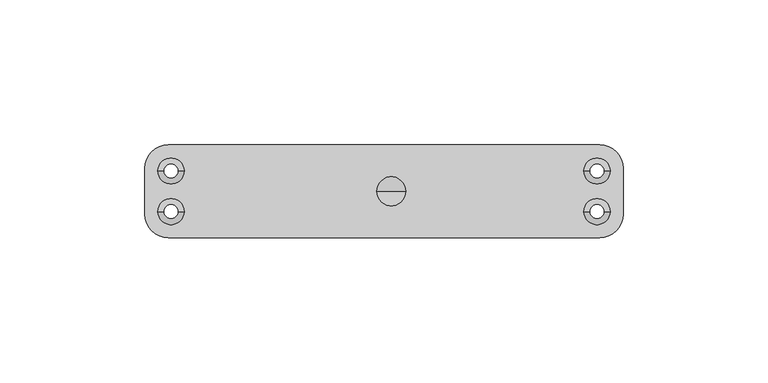
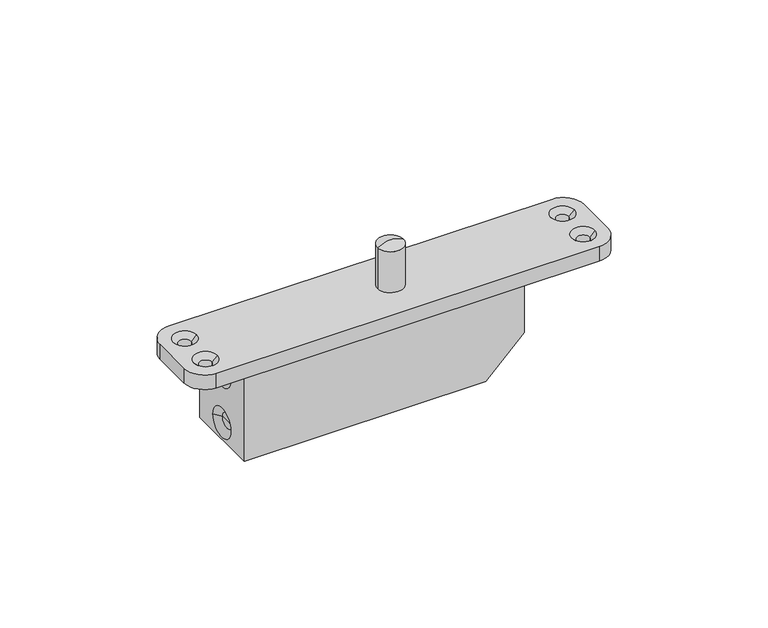
"""IFC4 building model written with IfcOpenShell, lengths in millimetres: proxy geometry."""

from ifc_helpers import new_model, si_unit, point, frame, origin, place, context, project, spatial, polyline, circle_curve, ellipse_curve, trimmed, source, transform, mapped, element, save
from ifc_brep_helpers import plane_surface, cylinder_surface, revolved_surface, advanced_brep


def generic_models_c703cf1c(model_context):
    return source(origin(), model_context, "Body", "AdvancedBrep", [
        advanced_brep(
        [(-65.6, -15.0, -41.0), (28.4, -15.0, -41.0), (43.4, -15.0, -26.0), (43.4, -15.0, -6.0), (-65.6, -15.0, -6.0), (-65.6, 15.0, -41.0), (-65.6, 15.0, -6.0), (43.4, 15.0, -6.0), (43.4, 15.0, -26.0), (28.4, 15.0, -41.0), (-65.6, -6.0, -34.0), (-65.6, 6.0, -34.0), (-65.6, -6.0, -13.0320818), (-65.6, 6.0, -13.0320818), (-63.6, -3.0, -34.0), (-63.6, 0.0, -34.0), (-63.6, 3.0, -34.0), (-63.6, -3.0, -13.0320818), (-63.6, 0.0, -13.0320818), (-63.6, 3.0, -13.0320818)],
        [
            (0, 1),
            (1, 2),
            (2, 3),
            (3, 4),
            (4, 0),
            (5, 6),
            (6, 7),
            (7, 8),
            (8, 9),
            (9, 5),
            (0, 5),
            (9, 1),
            (8, 2),
            (7, 3),
            (6, 4),
            (10, 11, circle_curve(frame((-65.6, 0.0, -34.0), z_axis=(1.0, 0.0, 0.0), x_axis=(0.0, 1.0, 0.0)), 6.0)),
            (11, 10, circle_curve(frame((-65.6, 0.0, -34.0), z_axis=(1.0, 0.0, 0.0), x_axis=(0.0, 1.0, 0.0)), 6.0)),
            (12, 13, circle_curve(frame((-65.6, 0.0, -13.0320818), z_axis=(1.0, 0.0, 0.0), x_axis=(0.0, 1.0, 0.0)), 6.0)),
            (13, 12, circle_curve(frame((-65.6, 0.0, -13.0320818), z_axis=(1.0, 0.0, 0.0), x_axis=(0.0, 1.0, 0.0)), 6.0)),
            (14, 15),
            (15, 16),
            (16, 14, circle_curve(frame((-63.6, 0.0, -34.0), z_axis=(-1.0, 0.0, 0.0), x_axis=(0.0, 1.0, 0.0)), 3.0)),
            (14, 16, circle_curve(frame((-63.6, 0.0, -34.0), z_axis=(-1.0, 0.0, 0.0), x_axis=(0.0, 1.0, 0.0)), 3.0)),
            (16, 11),
            (10, 14),
            (17, 18),
            (18, 19),
            (19, 17, circle_curve(frame((-63.6, 0.0, -13.0320818), z_axis=(-1.0, 0.0, 0.0), x_axis=(0.0, 1.0, 0.0)), 3.0)),
            (17, 19, circle_curve(frame((-63.6, 0.0, -13.0320818), z_axis=(-1.0, 0.0, 0.0), x_axis=(0.0, 1.0, 0.0)), 3.0)),
            (19, 13),
            (12, 17),
        ],
        [
            plane_surface(frame((-65.6, -15.0, -41.0), z_axis=(0.0, -1.0, 0.0), x_axis=(1.0, 0.0, 0.0))),
            plane_surface(frame((-65.6, 15.0, -41.0), z_axis=(0.0, 1.0, 0.0), x_axis=(-1.0, 0.0, 0.0))),
            plane_surface(frame((-65.6, -15.0, -41.0), z_axis=(0.0, 0.0, -1.0), x_axis=(0.0, 1.0, 0.0))),
            plane_surface(frame((28.4, -15.0, -41.0), z_axis=(0.7071067811865471, 0.0, -0.7071067811865479), x_axis=(0.0, 1.0, 0.0))),
            plane_surface(frame((43.4, -15.0, -26.0), z_axis=(1.0, 0.0, 0.0), x_axis=(0.0, 1.0, 0.0))),
            plane_surface(frame((43.4, -15.0, -6.0), z_axis=(0.0, 0.0, 1.0), x_axis=(0.0, 1.0, 0.0))),
            plane_surface(frame((-65.6, -15.0, -6.0), z_axis=(-1.0, 0.0, 0.0), x_axis=(0.0, 1.0, 0.0))),
            plane_surface(frame((-63.6, 0.0, -34.0), z_axis=(-1.0, 0.0, 0.0), x_axis=(0.0, 1.0, 0.0))),
            revolved_surface(polyline([(-65.6, 6.0, -34.0), (-63.6, 3.0, -34.0)]), (-80.0717314, 0.0, -34.0), (-1.0, 0.0, 0.0)),
            plane_surface(frame((-63.6, 0.0, -13.0320818), z_axis=(-1.0, 0.0, 0.0), x_axis=(0.0, 1.0, 0.0))),
            revolved_surface(polyline([(-65.6, 6.0, -13.0320818), (-63.6, 3.0, -13.0320818)]), (-80.0717314, 0.0, -13.0320818), (-1.0, 0.0, 0.0)),
        ],
        [
            (0, [[1, 2, 3, 4, 5]]),
            (1, [[6, 7, 8, 9, 10]]),
            (2, [[-1, 11, -10, 12]]),
            (3, [[-2, -12, -9, 13]]),
            (4, [[-3, -13, -8, 14]]),
            (5, [[-4, -14, -7, 15]]),
            (6, [[-5, -15, -6, -11], [16, 17], [18, 19]]),
            (7, [[20, 21, 22]]),
            (7, [[-20, 23, -21]]),
            (8, [[-22, 24, -16, 25]]),
            (8, [[-23, -25, -17, -24]]),
            (9, [[26, 27, 28]]),
            (9, [[-26, 29, -27]]),
            (10, [[-28, 30, -18, 31]]),
            (10, [[-29, -31, -19, -30]]),
        ],
    ),
        advanced_brep(
        [(5.0, 0.0, 16.8), (-5.0, 0.0, 16.8), (0.0, 0.0, 18.3), (5.0, 0.0, 0.0), (-5.0, 0.0, 0.0), (0.0, 0.0, 0.0)],
        [
            (0, 1, circle_curve(frame((0.0, 0.0, 16.8), z_axis=(0.0, 0.0, 1.0), x_axis=(-1.0, 0.0, 0.0)), 5.0)),
            (1, 2, circle_curve(frame((0.0, 0.0, 9.2166667), z_axis=(0.0, 1.0, 0.0), x_axis=(1.0, 0.0, 0.0)), 9.0833333)),
            (2, 0, circle_curve(frame((0.0, 0.0, 9.2166667), z_axis=(0.0, 1.0, 0.0), x_axis=(-1.0, 0.0, 0.0)), 9.0833333)),
            (1, 0, circle_curve(frame((0.0, 0.0, 16.8), z_axis=(0.0, 0.0, 1.0), x_axis=(-1.0, 0.0, 0.0)), 5.0)),
            (3, 4, circle_curve(frame((0.0, 0.0, 0.0), z_axis=(0.0, 0.0, 1.0), x_axis=(-1.0, 0.0, 0.0)), 5.0)),
            (4, 1),
            (0, 3),
            (4, 3, circle_curve(frame((0.0, 0.0, 0.0), z_axis=(0.0, 0.0, 1.0), x_axis=(-1.0, 0.0, 0.0)), 5.0)),
            (5, 4),
            (3, 5),
        ],
        [
            revolved_surface(trimmed(ellipse_curve(frame((0.0, 0.0, 9.2166667), z_axis=(0.0, -1.0, 0.0), x_axis=(1.0, 0.0, 0.0)), 9.0833333, 9.0833333), [point((0.0, 0.0, 18.3))], [point((-5.0, 0.0, 16.8))], True, "CARTESIAN"), (0.0, 0.0, 22.7266465), (0.0, 0.0, -1.0)),
            cylinder_surface(frame((0.0, 0.0, 22.7266465), z_axis=(0.0, 0.0, -1.0), x_axis=(-1.0, 0.0, 0.0)), 5.0),
            plane_surface(frame((0.0, 0.0, 0.0), z_axis=(0.0, 0.0, -1.0), x_axis=(-1.0, 0.0, 0.0))),
        ],
        [
            (0, [[1, 2, 3]]),
            (0, [[4, -3, -2]]),
            (1, [[5, 6, -1, 7]]),
            (1, [[8, -7, -4, -6]]),
            (2, [[9, -5, 10]]),
            (2, [[-10, -8, -9]]),
        ],
    ),
        advanced_brep(
        [(-77.0, -16.0, -6.0), (72.0, -16.0, -6.0), (72.0, -16.0, 0.0), (-77.0, -16.0, 0.0), (-77.0, 16.0, 0.0), (72.0, 16.0, 0.0), (72.0, 16.0, -6.0), (-77.0, 16.0, -6.0), (-85.0, -8.0, 0.0), (-85.0, 8.0, 0.0), (-85.0, 8.0, -6.0), (-85.0, -8.0, -6.0), (80.0, -8.0, 0.0), (80.0, 8.0, 0.0), (-80.5, -7.0, 0.0), (-71.5, -7.0, 0.0), (-80.5, 7.0, 0.0), (-71.5, 7.0, 0.0), (66.5, -7.0, 0.0), (75.5, -7.0, 0.0), (66.5, 7.0, 0.0), (75.5, 7.0, 0.0), (80.0, -8.0, -6.0), (80.0, 8.0, -6.0), (-73.5, -7.0, -6.0), (-78.5, -7.0, -6.0), (-73.5, 7.0, -6.0), (-78.5, 7.0, -6.0), (73.5, -7.0, -6.0), (68.5, -7.0, -6.0), (73.5, 7.0, -6.0), (68.5, 7.0, -6.0), (-73.5, -7.0, -2.0), (-78.5, -7.0, -2.0), (-73.5, 7.0, -2.0), (-78.5, 7.0, -2.0), (73.5, -7.0, -2.0), (68.5, -7.0, -2.0), (73.5, 7.0, -2.0), (68.5, 7.0, -2.0)],
        [
            (0, 1),
            (1, 2),
            (2, 3),
            (3, 0),
            (4, 5),
            (5, 6),
            (6, 7),
            (7, 4),
            (8, 9),
            (9, 10),
            (10, 11),
            (11, 8),
            (2, 12, circle_curve(frame((72.0, -8.0, 0.0), z_axis=(0.0, 0.0, 1.0), x_axis=(-1.0, 0.0, 0.0)), 8.0)),
            (12, 13),
            (13, 5, circle_curve(frame((72.0, 8.0, 0.0), z_axis=(0.0, 0.0, 1.0), x_axis=(-1.0, 0.0, 0.0)), 8.0)),
            (4, 9, circle_curve(frame((-77.0, 8.0, 0.0), z_axis=(0.0, 0.0, 1.0), x_axis=(1.0, 0.0, 0.0)), 8.0)),
            (8, 3, circle_curve(frame((-77.0, -8.0, 0.0), z_axis=(0.0, 0.0, 1.0), x_axis=(1.0, 0.0, 0.0)), 8.0)),
            (14, 15, circle_curve(frame((-76.0, -7.0, 0.0), z_axis=(0.0, 0.0, -1.0), x_axis=(-1.0, 0.0, 0.0)), 4.5)),
            (15, 14, circle_curve(frame((-76.0, -7.0, 0.0), z_axis=(0.0, 0.0, -1.0), x_axis=(-1.0, 0.0, 0.0)), 4.5)),
            (16, 17, circle_curve(frame((-76.0, 7.0, 0.0), z_axis=(0.0, 0.0, -1.0), x_axis=(-1.0, 0.0, 0.0)), 4.5)),
            (17, 16, circle_curve(frame((-76.0, 7.0, 0.0), z_axis=(0.0, 0.0, -1.0), x_axis=(-1.0, 0.0, 0.0)), 4.5)),
            (18, 19, circle_curve(frame((71.0, -7.0, 0.0), z_axis=(0.0, 0.0, -1.0), x_axis=(-1.0, 0.0, 0.0)), 4.5)),
            (19, 18, circle_curve(frame((71.0, -7.0, 0.0), z_axis=(0.0, 0.0, -1.0), x_axis=(-1.0, 0.0, 0.0)), 4.5)),
            (20, 21, circle_curve(frame((71.0, 7.0, 0.0), z_axis=(0.0, 0.0, -1.0), x_axis=(-1.0, 0.0, 0.0)), 4.5)),
            (21, 20, circle_curve(frame((71.0, 7.0, 0.0), z_axis=(0.0, 0.0, -1.0), x_axis=(-1.0, 0.0, 0.0)), 4.5)),
            (12, 22),
            (22, 23),
            (23, 13),
            (0, 11, circle_curve(frame((-77.0, -8.0, -6.0), z_axis=(0.0, 0.0, -1.0), x_axis=(1.0, 0.0, 0.0)), 8.0)),
            (10, 7, circle_curve(frame((-77.0, 8.0, -6.0), z_axis=(0.0, 0.0, -1.0), x_axis=(1.0, 0.0, 0.0)), 8.0)),
            (6, 23, circle_curve(frame((72.0, 8.0, -6.0), z_axis=(0.0, 0.0, -1.0), x_axis=(-1.0, 0.0, 0.0)), 8.0)),
            (22, 1, circle_curve(frame((72.0, -8.0, -6.0), z_axis=(0.0, 0.0, -1.0), x_axis=(-1.0, 0.0, 0.0)), 8.0)),
            (24, 25, circle_curve(frame((-76.0, -7.0, -6.0), z_axis=(0.0, 0.0, 1.0), x_axis=(-1.0, 0.0, 0.0)), 2.5)),
            (25, 24, circle_curve(frame((-76.0, -7.0, -6.0), z_axis=(0.0, 0.0, 1.0), x_axis=(-1.0, 0.0, 0.0)), 2.5)),
            (26, 27, circle_curve(frame((-76.0, 7.0, -6.0), z_axis=(0.0, 0.0, 1.0), x_axis=(-1.0, 0.0, 0.0)), 2.5)),
            (27, 26, circle_curve(frame((-76.0, 7.0, -6.0), z_axis=(0.0, 0.0, 1.0), x_axis=(-1.0, 0.0, 0.0)), 2.5)),
            (28, 29, circle_curve(frame((71.0, -7.0, -6.0), z_axis=(0.0, 0.0, 1.0), x_axis=(-1.0, 0.0, 0.0)), 2.5)),
            (29, 28, circle_curve(frame((71.0, -7.0, -6.0), z_axis=(0.0, 0.0, 1.0), x_axis=(-1.0, 0.0, 0.0)), 2.5)),
            (30, 31, circle_curve(frame((71.0, 7.0, -6.0), z_axis=(0.0, 0.0, 1.0), x_axis=(-1.0, 0.0, 0.0)), 2.5)),
            (31, 30, circle_curve(frame((71.0, 7.0, -6.0), z_axis=(0.0, 0.0, 1.0), x_axis=(-1.0, 0.0, 0.0)), 2.5)),
            (32, 15),
            (14, 33),
            (33, 32, circle_curve(frame((-76.0, -7.0, -2.0), z_axis=(0.0, 0.0, -1.0), x_axis=(-1.0, 0.0, 0.0)), 2.5)),
            (32, 33, circle_curve(frame((-76.0, -7.0, -2.0), z_axis=(0.0, 0.0, -1.0), x_axis=(-1.0, 0.0, 0.0)), 2.5)),
            (33, 25),
            (24, 32),
            (34, 17),
            (16, 35),
            (35, 34, circle_curve(frame((-76.0, 7.0, -2.0), z_axis=(0.0, 0.0, -1.0), x_axis=(-1.0, 0.0, 0.0)), 2.5)),
            (34, 35, circle_curve(frame((-76.0, 7.0, -2.0), z_axis=(0.0, 0.0, -1.0), x_axis=(-1.0, 0.0, 0.0)), 2.5)),
            (35, 27),
            (26, 34),
            (36, 19),
            (18, 37),
            (37, 36, circle_curve(frame((71.0, -7.0, -2.0), z_axis=(0.0, 0.0, -1.0), x_axis=(-1.0, 0.0, 0.0)), 2.5)),
            (36, 37, circle_curve(frame((71.0, -7.0, -2.0), z_axis=(0.0, 0.0, -1.0), x_axis=(-1.0, 0.0, 0.0)), 2.5)),
            (37, 29),
            (28, 36),
            (38, 21),
            (20, 39),
            (39, 38, circle_curve(frame((71.0, 7.0, -2.0), z_axis=(0.0, 0.0, -1.0), x_axis=(-1.0, 0.0, 0.0)), 2.5)),
            (38, 39, circle_curve(frame((71.0, 7.0, -2.0), z_axis=(0.0, 0.0, -1.0), x_axis=(-1.0, 0.0, 0.0)), 2.5)),
            (39, 31),
            (30, 38),
        ],
        [
            plane_surface(frame((-62.0, -16.0, -6.0), z_axis=(0.0, -1.0, 0.0), x_axis=(1.0, 0.0, 0.0))),
            plane_surface(frame((-62.0, 16.0, -6.0), z_axis=(0.0, 1.0, 0.0), x_axis=(-1.0, 0.0, 0.0))),
            plane_surface(frame((-85.0, -16.0, 0.0), z_axis=(-1.0, 0.0, 0.0), x_axis=(0.0, 1.0, 0.0))),
            plane_surface(frame((80.0, -16.0, 0.0), z_axis=(0.0, 0.0, 1.0), x_axis=(0.0, 1.0, 0.0))),
            plane_surface(frame((80.0, -16.0, -6.0), z_axis=(1.0, 0.0, 0.0), x_axis=(0.0, 1.0, 0.0))),
            plane_surface(frame((-85.0, -16.0, -6.0), z_axis=(0.0, 0.0, -1.0), x_axis=(0.0, 1.0, 0.0))),
            cylinder_surface(frame((-77.0, -8.0, -7.0), z_axis=(0.0, 0.0, -1.0), x_axis=(1.0, 0.0, 0.0)), 8.0),
            cylinder_surface(frame((-77.0, 8.0, 0.0), z_axis=(0.0, 0.0, -1.0), x_axis=(1.0, 0.0, 0.0)), 8.0),
            cylinder_surface(frame((72.0, -8.0, 0.0), z_axis=(0.0, 0.0, -1.0), x_axis=(-1.0, 0.0, 0.0)), 8.0),
            cylinder_surface(frame((72.0, 8.0, 0.0), z_axis=(0.0, 0.0, -1.0), x_axis=(-1.0, 0.0, 0.0)), 8.0),
            revolved_surface(polyline([(-78.5, -7.0, -2.0), (-80.5, -7.0, 0.0)]), (-76.0, -7.0, -7.0), (0.0, 0.0, -1.0)),
            revolved_surface(polyline([(-78.5, -7.0, -6.0), (-78.5, -7.0, -2.0)]), (-76.0, -7.0, -7.0), (0.0, 0.0, -1.0)),
            revolved_surface(polyline([(-78.5, 7.0, -2.0), (-80.5, 7.0, 0.0)]), (-76.0, 7.0, -7.0), (0.0, 0.0, -1.0)),
            revolved_surface(polyline([(-78.5, 7.0, -6.0), (-78.5, 7.0, -2.0)]), (-76.0, 7.0, -7.0), (0.0, 0.0, -1.0)),
            revolved_surface(polyline([(68.5, -7.0, -2.0), (66.5, -7.0, 0.0)]), (71.0, -7.0, -7.0), (0.0, 0.0, -1.0)),
            revolved_surface(polyline([(68.5, -7.0, -6.0), (68.5, -7.0, -2.0)]), (71.0, -7.0, -7.0), (0.0, 0.0, -1.0)),
            revolved_surface(polyline([(68.5, 7.0, -2.0), (66.5, 7.0, 0.0)]), (71.0, 7.0, -7.0), (0.0, 0.0, -1.0)),
            revolved_surface(polyline([(68.5, 7.0, -6.0), (68.5, 7.0, -2.0)]), (71.0, 7.0, -7.0), (0.0, 0.0, -1.0)),
        ],
        [
            (0, [[1, 2, 3, 4]]),
            (1, [[5, 6, 7, 8]]),
            (2, [[9, 10, 11, 12]]),
            (3, [[-3, 13, 14, 15, -5, 16, -9, 17], [18, 19], [20, 21], [22, 23], [24, 25]]),
            (4, [[-14, 26, 27, 28]]),
            (5, [[-1, 29, -11, 30, -7, 31, -27, 32], [33, 34], [35, 36], [37, 38], [39, 40]]),
            (6, [[-4, -17, -12, -29]]),
            (7, [[-8, -30, -10, -16]]),
            (8, [[-2, -32, -26, -13]]),
            (9, [[-6, -15, -28, -31]]),
            (10, [[41, -18, 42, 43]]),
            (10, [[-41, 44, -42, -19]]),
            (11, [[-43, 45, -33, 46]]),
            (11, [[-44, -46, -34, -45]]),
            (12, [[47, -20, 48, 49]]),
            (12, [[-47, 50, -48, -21]]),
            (13, [[-49, 51, -35, 52]]),
            (13, [[-50, -52, -36, -51]]),
            (14, [[53, -22, 54, 55]]),
            (14, [[-53, 56, -54, -23]]),
            (15, [[-55, 57, -37, 58]]),
            (15, [[-56, -58, -38, -57]]),
            (16, [[59, -24, 60, 61]]),
            (16, [[-59, 62, -60, -25]]),
            (17, [[-61, 63, -39, 64]]),
            (17, [[-62, -64, -40, -63]]),
        ],
    ),
    ])


if __name__ == "__main__":
    model = new_model("IFC4")
    model_context = context("Model", 3, world=origin())
    ifc_project = project(units=[si_unit("LENGTHUNIT", "METRE", prefix="MILLI")], contexts=[model_context])
    site = spatial("IfcSite", under=ifc_project)
    building = spatial("IfcBuilding", under=site)
    placement = place(None, origin())
    generic_models_shape = generic_models_c703cf1c(model_context)
    element("IfcBuildingElementProxy", 1, Name="Generic Models", at=placement, inside=building, context=model_context, shape_type="MappedRepresentation", body=[
        mapped(generic_models_shape, transform((0.0, 0.0, 0.0), x_axis=(1.0, 0.0, 0.0), y_axis=(0.0, 1.0, 0.0), z_axis=(0.0, 0.0, 1.0))),
    ])
    save(model, "model.ifc")
